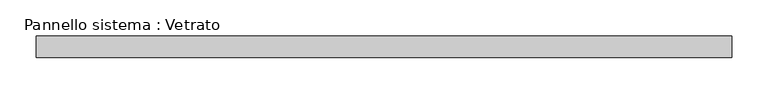
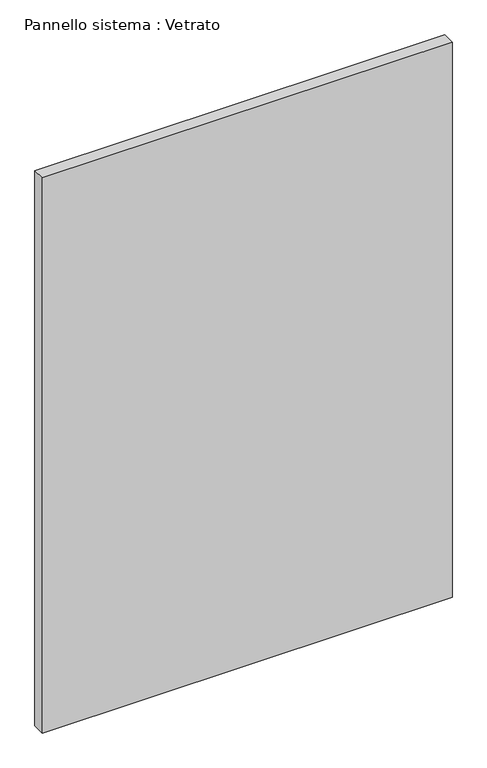
"""IFC4 building model written with IfcOpenShell, lengths in millimetres: plate geometry, Pannello sistema : Vetrato."""

import ifcopenshell
import ifcopenshell.guid

model = None  # the IFC model being written
_history = None  # IfcOwnerHistory: only IFC2X3 demands one
_inside = {}  # id of a spatial element -> (the spatial element, [elements in it])
_under = {}  # id of a project, library or spatial element -> (it, [spatial elements below it])
_declared = {}  # id of a project -> (the project, [libraries it declares])
_typed = {}  # id of a type object -> (the type object, [elements of that type])
_made_of = {}  # id of a material, layer set ... -> (it, [elements and type objects made of it])


def new_model(schema):
    """Start an empty IFC model of exactly this schema.

    Asked for "IFC4X3", IfcOpenShell would pick the latest addendum, in which some entities
    have other attributes; the version numbers below select the first issue.
    IFC2X3 requires an IfcOwnerHistory on every rooted entity: one is made here for all.
    """
    global model, _history
    if schema == "IFC4X3":
        model = ifcopenshell.file(schema_version=(4, 3, 0, 0))
    else:
        model = ifcopenshell.file(schema=schema)
    _inside.clear()
    _under.clear()
    _declared.clear()
    _typed.clear()
    _made_of.clear()
    _history = None
    if model.schema == "IFC2X3":
        org = make("IfcOrganization", Name="unknown")
        user = make(
            "IfcPersonAndOrganization",
            ThePerson=make("IfcPerson", FamilyName="unknown"),
            TheOrganization=org,
        )
        app = make(
            "IfcApplication",
            ApplicationDeveloper=org,
            Version="unknown",
            ApplicationFullName="unknown",
            ApplicationIdentifier="unknown",
        )
        _history = make(
            "IfcOwnerHistory",
            OwningUser=user,
            OwningApplication=app,
            ChangeAction="ADDED",
            CreationDate=0,
        )
    return model


def make(cls, **values):
    """One entity of the class cls with the attributes given. An attribute that is None is left unset."""
    return model.create_entity(
        cls, **{name: value for name, value in values.items() if value is not None}
    )


def rooted(cls, **values):
    """An entity with a GlobalId (a new one), such as an element, a storey or a relation."""
    return make(cls, GlobalId=ifcopenshell.guid.new(), OwnerHistory=_history, **values)


def si_unit(unit_type, name, prefix=None):
    """IfcSIUnit, for example si_unit("LENGTHUNIT", "METRE", prefix="MILLI")."""
    return make("IfcSIUnit", UnitType=unit_type, Prefix=prefix, Name=name)


def assignment(units):
    """IfcUnitAssignment: the units of a project."""
    return None if units is None else make("IfcUnitAssignment", Units=units)


def point(xyz):
    """IfcCartesianPoint."""
    return None if xyz is None else make("IfcCartesianPoint", Coordinates=xyz)


def direction(xyz):
    """IfcDirection."""
    return None if xyz is None else make("IfcDirection", DirectionRatios=xyz)


def frame(location, z_axis=None, x_axis=None):
    """IfcAxis2Placement3D, a coordinate frame: its origin and axes. An axis left out is left unset."""
    return make(
        "IfcAxis2Placement3D",
        Location=point(location),
        Axis=direction(z_axis),
        RefDirection=direction(x_axis),
    )


def origin():
    """The frame at (0, 0, 0) with its axes left unset."""
    return frame((0.0, 0.0, 0.0))


def origin_with_axes():
    """The frame at (0, 0, 0) with the z axis (0, 0, 1) and the x axis (1, 0, 0) written out."""
    return frame((0.0, 0.0, 0.0), z_axis=(0.0, 0.0, 1.0), x_axis=(1.0, 0.0, 0.0))


def place(relative_to, where):
    """IfcLocalPlacement: puts the frame where relative to a parent placement (None: the world)."""
    return make(
        "IfcLocalPlacement", PlacementRelTo=relative_to, RelativePlacement=where
    )


def context(
    kind, dimensions, precision=None, world=None, true_north=None, identifier=None
):
    """IfcGeometricRepresentationContext, for example the 3D "Model" context."""
    return make(
        "IfcGeometricRepresentationContext",
        ContextIdentifier=identifier,
        ContextType=kind,
        CoordinateSpaceDimension=dimensions,
        Precision=precision,
        WorldCoordinateSystem=world,
        TrueNorth=true_north,
    )


def project(units=None, contexts=None):
    """IfcProject with its units and contexts."""
    return rooted(
        "IfcProject",
        Name="project",
        RepresentationContexts=contexts,
        UnitsInContext=assignment(units),
    )


def spatial(cls, under=None, at=None, **own):
    """A site, building, storey or space (cls), placed at a placement, below another one or the project."""
    s = rooted(cls, ObjectPlacement=at, **own)
    if under is not None:
        _under.setdefault(under.id(), (under, []))[1].append(s)
    return s


def polyline(points):
    """IfcPolyline through the points."""
    return make("IfcPolyline", Points=[point(p) for p in points])


def outline(outer, holes=None, kind="AREA"):
    """IfcArbitraryClosedProfileDef: a profile drawn as a closed curve; with holes, ...WithVoids."""
    if holes is None:
        return make("IfcArbitraryClosedProfileDef", ProfileType=kind, OuterCurve=outer)
    return make(
        "IfcArbitraryProfileDefWithVoids",
        ProfileType=kind,
        OuterCurve=outer,
        InnerCurves=holes,
    )


def extrude(swept, where, along, depth):
    """IfcExtrudedAreaSolid: the profile swept, set in the frame where, extruded along a direction by depth."""
    return make(
        "IfcExtrudedAreaSolid",
        SweptArea=swept,
        Position=where,
        ExtrudedDirection=direction(along),
        Depth=depth,
    )


def shape(context_of_items, identifier, shape_type, items):
    """IfcShapeRepresentation: the items that make up one representation, for example the "Body"."""
    return make(
        "IfcShapeRepresentation",
        ContextOfItems=context_of_items,
        RepresentationIdentifier=identifier,
        RepresentationType=shape_type,
        Items=items,
    )


def source(mapping_origin, context_of_items, identifier, shape_type, items):
    """IfcRepresentationMap: a shape defined once, which mapped items show again and again."""
    return make(
        "IfcRepresentationMap",
        MappingOrigin=mapping_origin,
        MappedRepresentation=shape(context_of_items, identifier, shape_type, items),
    )


def transform(
    local_origin,
    x_axis=None,
    y_axis=None,
    z_axis=None,
    scale=None,
    scale2=None,
    scale3=None,
    uniform=True,
):
    """IfcCartesianTransformationOperator3D, or its non-uniform kind. x_axis, y_axis, z_axis: its Axis1, 2, 3."""
    if uniform:
        return make(
            "IfcCartesianTransformationOperator3D",
            Axis1=direction(x_axis),
            Axis2=direction(y_axis),
            LocalOrigin=point(local_origin),
            Scale=scale,
            Axis3=direction(z_axis),
        )
    return make(
        "IfcCartesianTransformationOperator3DnonUniform",
        Axis1=direction(x_axis),
        Axis2=direction(y_axis),
        LocalOrigin=point(local_origin),
        Scale=scale,
        Axis3=direction(z_axis),
        Scale2=scale2,
        Scale3=scale3,
    )


def mapped(mapping_source, mapping_target):
    """IfcMappedItem: shows the shape of a source again, moved by a transform."""
    return make(
        "IfcMappedItem", MappingSource=mapping_source, MappingTarget=mapping_target
    )


def made_of(thing, what):
    """Note that an element or type object is made of a material, layer set ...; save() writes the relation."""
    if what is not None:
        _made_of.setdefault(what.id(), (what, []))[1].append(thing)
    return thing


def element(
    cls,
    number,
    at=None,
    inside=None,
    cuts=None,
    type_object=None,
    material=None,
    context=None,
    identifier="Body",
    shape_type=None,
    held_by="IfcProductDefinitionShape",
    body=None,
    shapes=None,
    **own,
):
    """One element of the class cls, such as IfcWall. Its Tag is "e" and its number.

    at: its placement. inside: the storey or other place that contains it. cuts: it is an
    opening in that element (IfcRelVoidsElement). A single representation is given by context,
    identifier, shape_type and body (its items); several are given by shapes. held_by: the class
    of the entity that holds the representations. save() writes the other relations.
    """
    e = rooted(cls, Tag="e%d" % number, ObjectPlacement=at, **own)
    if body is not None:
        shapes = [shape(context, identifier, shape_type, body)]
    if shapes is not None:
        e.Representation = make(held_by, Representations=shapes)
    if inside is not None:
        _inside.setdefault(inside.id(), (inside, []))[1].append(e)
    if cuts is not None:
        rooted(
            "IfcRelVoidsElement", RelatingBuildingElement=cuts, RelatedOpeningElement=e
        )
    if type_object is not None:
        _typed.setdefault(type_object.id(), (type_object, []))[1].append(e)
    return made_of(e, material)


def aggregate(whole, parts):
    """IfcRelAggregates: a whole, such as a stair, and the parts it consists of."""
    return rooted("IfcRelAggregates", RelatingObject=whole, RelatedObjects=parts)


def save(model, path):
    """Write the relations noted so far, then the file.

    IfcRelAggregates (storeys below a building ...), IfcRelContainedInSpatialStructure (elements
    in a storey), IfcRelDefinesByType, IfcRelAssociatesMaterial and IfcRelDeclares: one each for
    every whole, place, type object, material and project.
    """
    for whole, parts in _under.values():
        aggregate(whole, parts)
    for where, things in _inside.values():
        rooted(
            "IfcRelContainedInSpatialStructure",
            RelatedElements=things,
            RelatingStructure=where,
        )
    for kind, things in _typed.values():
        rooted("IfcRelDefinesByType", RelatedObjects=things, RelatingType=kind)
    for what, things in _made_of.values():
        rooted("IfcRelAssociatesMaterial", RelatedObjects=things, RelatingMaterial=what)
    for by, libraries in _declared.values():
        rooted("IfcRelDeclares", RelatingContext=by, RelatedDefinitions=libraries)
    model.write(path)


def pannello_sistema_vetrato_1f9f2a9b(model_context):
    return source(origin(), model_context, "Body", "SweptSolid", [
        extrude(outline(polyline([(480.0, -15.0), (-480.0, -15.0), (-480.0, 15.0), (480.0, 15.0), (480.0, -15.0)])), origin_with_axes(), (0.0, 0.0, 1.0), 1375.0),
    ])


if __name__ == "__main__":
    model = new_model("IFC4")
    model_context = context("Model", 3, world=origin())
    ifc_project = project(units=[si_unit("LENGTHUNIT", "METRE", prefix="MILLI")], contexts=[model_context])
    site = spatial("IfcSite", under=ifc_project)
    building = spatial("IfcBuilding", under=site)
    placement = place(None, origin())
    pannello_sistema_vetrato_shape = pannello_sistema_vetrato_1f9f2a9b(model_context)
    element("IfcPlate", 1, ObjectType="Pannello sistema : Vetrato", at=placement, inside=building, context=model_context, shape_type="MappedRepresentation", body=[
        mapped(pannello_sistema_vetrato_shape, transform((0.0, 0.0, 0.0), x_axis=(1.0, 0.0, 0.0), y_axis=(0.0, 1.0, 0.0), z_axis=(0.0, 0.0, 1.0))),
    ])
    save(model, "model.ifc")
